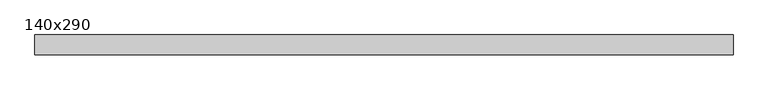
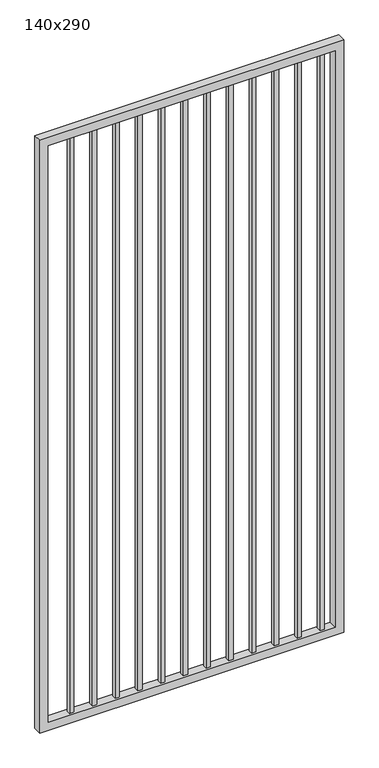
"""IFC4 building model written with IfcOpenShell, lengths in millimetres: proxy geometry, 140x290."""

from ifc_helpers import new_model, si_unit, frame, origin, place, context, project, spatial, polyline, outline, extrude, source, transform, mapped, element, save


def proxy_140x290_e3258b7c(model_context):
    return source(origin(), model_context, "Body", "SweptSolid", [
        extrude(outline(polyline([(1304.925, -9.525), (1285.875, -9.525), (1285.875, 9.525), (1304.925, 9.525), (1304.925, -9.525)])), frame((0.0, 0.0, 139.7), z_axis=(0.0, 0.0, 1.0), x_axis=(1.0, 0.0, 0.0)), (0.0, 0.0, 1.0), 2730.0),
        extrude(outline(polyline([(1203.325, -9.525), (1184.275, -9.525), (1184.275, 9.525), (1203.325, 9.525), (1203.325, -9.525)])), frame((0.0, 0.0, 139.7), z_axis=(0.0, 0.0, 1.0), x_axis=(1.0, 0.0, 0.0)), (0.0, 0.0, 1.0), 2730.0),
        extrude(outline(polyline([(1101.725, -9.525), (1082.675, -9.525), (1082.675, 9.525), (1101.725, 9.525), (1101.725, -9.525)])), frame((0.0, 0.0, 139.7), z_axis=(0.0, 0.0, 1.0), x_axis=(1.0, 0.0, 0.0)), (0.0, 0.0, 1.0), 2730.0),
        extrude(outline(polyline([(1000.125, -9.525), (981.075, -9.525), (981.075, 9.525), (1000.125, 9.525), (1000.125, -9.525)])), frame((0.0, 0.0, 139.7), z_axis=(0.0, 0.0, 1.0), x_axis=(1.0, 0.0, 0.0)), (0.0, 0.0, 1.0), 2730.0),
        extrude(outline(polyline([(898.525, -9.525), (879.475, -9.525), (879.475, 9.525), (898.525, 9.525), (898.525, -9.525)])), frame((0.0, 0.0, 139.7), z_axis=(0.0, 0.0, 1.0), x_axis=(1.0, 0.0, 0.0)), (0.0, 0.0, 1.0), 2730.0),
        extrude(outline(polyline([(796.925, -9.525), (777.875, -9.525), (777.875, 9.525), (796.925, 9.525), (796.925, -9.525)])), frame((0.0, 0.0, 139.7), z_axis=(0.0, 0.0, 1.0), x_axis=(1.0, 0.0, 0.0)), (0.0, 0.0, 1.0), 2730.0),
        extrude(outline(polyline([(695.325, -9.525), (676.275, -9.525), (676.275, 9.525), (695.325, 9.525), (695.325, -9.525)])), frame((0.0, 0.0, 139.7), z_axis=(0.0, 0.0, 1.0), x_axis=(1.0, 0.0, 0.0)), (0.0, 0.0, 1.0), 2730.0),
        extrude(outline(polyline([(593.725, -9.525), (574.675, -9.525), (574.675, 9.525), (593.725, 9.525), (593.725, -9.525)])), frame((0.0, 0.0, 139.7), z_axis=(0.0, 0.0, 1.0), x_axis=(1.0, 0.0, 0.0)), (0.0, 0.0, 1.0), 2730.0),
        extrude(outline(polyline([(492.125, -9.525), (473.075, -9.525), (473.075, 9.525), (492.125, 9.525), (492.125, -9.525)])), frame((0.0, 0.0, 139.7), z_axis=(0.0, 0.0, 1.0), x_axis=(1.0, 0.0, 0.0)), (0.0, 0.0, 1.0), 2730.0),
        extrude(outline(polyline([(390.525, -9.525), (371.475, -9.525), (371.475, 9.525), (390.525, 9.525), (390.525, -9.525)])), frame((0.0, 0.0, 139.7), z_axis=(0.0, 0.0, 1.0), x_axis=(1.0, 0.0, 0.0)), (0.0, 0.0, 1.0), 2730.0),
        extrude(outline(polyline([(288.925, -9.525), (269.875, -9.525), (269.875, 9.525), (288.925, 9.525), (288.925, -9.525)])), frame((0.0, 0.0, 139.7), z_axis=(0.0, 0.0, 1.0), x_axis=(1.0, 0.0, 0.0)), (0.0, 0.0, 1.0), 2730.0),
        extrude(outline(polyline([(187.325, -9.525), (168.275, -9.525), (168.275, 9.525), (187.325, 9.525), (187.325, -9.525)])), frame((0.0, 0.0, 139.7), z_axis=(0.0, 0.0, 1.0), x_axis=(1.0, 0.0, 0.0)), (0.0, 0.0, 1.0), 2730.0),
        extrude(outline(polyline([(2900.0, 1387.3), (2900.0, 30.0), (101.6, 30.0), (101.6, 1387.3), (2900.0, 1387.3)]), holes=[polyline([(139.7, 1349.2), (139.7, 68.1), (2861.9, 68.1), (2861.9, 1349.2), (139.7, 1349.2)])]), frame((0.0, -19.05, 0.0), z_axis=(0.0, 1.0, 0.0), x_axis=(0.0, 0.0, 1.0)), (0.0, 0.0, 1.0), 38.1),
    ])


if __name__ == "__main__":
    model = new_model("IFC4")
    model_context = context("Model", 3, world=origin())
    ifc_project = project(units=[si_unit("LENGTHUNIT", "METRE", prefix="MILLI")], contexts=[model_context])
    site = spatial("IfcSite", under=ifc_project)
    building = spatial("IfcBuilding", under=site)
    placement = place(None, origin())
    proxy_140x290_shape = proxy_140x290_e3258b7c(model_context)
    element("IfcBuildingElementProxy", 1, Name="140x290", ObjectType="140x290", at=placement, inside=building, context=model_context, shape_type="MappedRepresentation", body=[
        mapped(proxy_140x290_shape, transform((0.0, 0.0, 0.0), x_axis=(1.0, 0.0, 0.0), y_axis=(0.0, 1.0, 0.0), z_axis=(0.0, 0.0, 1.0))),
    ])
    save(model, "model.ifc")
